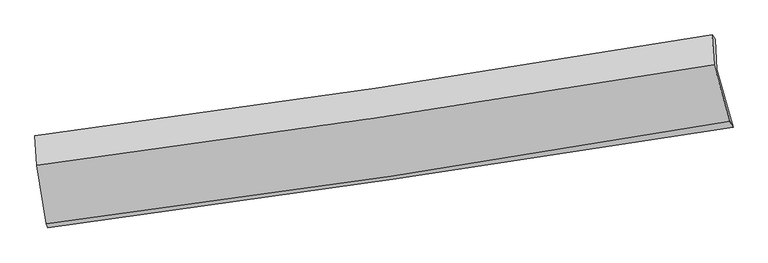
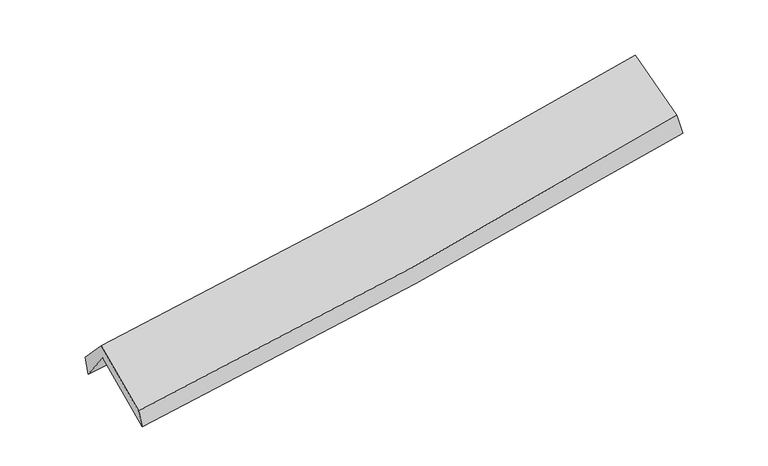
"""IFC4 building model written with IfcOpenShell, lengths in millimetres: proxy geometry."""

from ifc_helpers import new_model, si_unit, frame, origin, place, context, project, spatial, source, transform, mapped, element, save
from ifc_brep_helpers import plane_surface, spline_curve, spline_surface, advanced_brep


def generic_models_3727850a(model_context):
    return source(origin(), model_context, "Body", "AdvancedBrep", [
        advanced_brep(
        [(-2881.6839209, -2520.3302623, 1465.335748), (-2969.1347984, -1991.8284412, 1905.1712613), (2891.2907713, -1151.2909115, 2392.7220821), (3032.7759145, -1651.7589323, 1973.8375613), (-2979.5018996, -1753.7261294, 1593.3707529), (2877.6390367, -891.1070071, 2085.1682647), (-2992.4772829, -1722.9666552, 1757.4856136), (2851.1713435, -854.2678773, 2256.7789498), (-2977.7638429, -1978.5182282, 2029.1357412), (2868.1873729, -1112.8044352, 2532.1244201), (-2894.6347685, -2483.733044, 1616.9101641), (3003.5520532, -1597.5727041, 2141.1310904)],
        [
            (0, 1),
            (1, 2, spline_curve(3, [(-2969.1347984, -1991.8284412, 1905.1712613), (-1982.450035472, -1872.930257673, 1950.490838421), (-998.634702489, -1743.085569518, 2014.034585709), (954.791172575, -1462.718263323, 2176.864731198), (1924.451029717, -1312.383775021, 2275.837924475), (2891.2907713, -1151.2909115, 2392.7220821)], [4, 2, 4], [0.0, 9.837535475751466, 19.590169342086263])),
            (2, 3),
            (3, 0, spline_curve(3, [(3032.7759145, -1651.7589323, 1973.8375613), (2055.755523907, -1806.279976338, 1862.791468145), (1076.519371227, -1955.630258843, 1765.019142013), (-894.928493837, -2245.244455389, 1595.286421906), (-1887.178953102, -2385.417949913, 1523.558143522), (-2881.6839209, -2520.3302623, 1465.335748)], [4, 2, 4], [0.0, 9.752633866334797, 19.590169342086263])),
            (1, 4),
            (4, 5, spline_curve(3, [(-2979.5018996, -1753.7261294, 1593.3707529), (-1992.136507704, -1631.74637794, 1629.795429323), (-1008.258432685, -1498.511466057, 1689.267965738), (944.061945669, -1210.778324294, 1853.596576387), (1912.564182408, -1056.473528971, 1958.056544042), (2877.6390367, -891.1070071, 2085.1682647)], [4, 2, 4], [0.0, 9.79050123711152, 19.49650678787197])),
            (5, 2),
            (4, 6),
            (6, 7, spline_curve(3, [(-2992.4772829, -1722.9666552, 1757.4856136), (-2010.265729742, -1595.665115737, 1820.667912035), (-1030.087531612, -1459.269802568, 1894.091355219), (917.760397891, -1169.547255444, 2060.698474505), (1885.465075518, -1016.376308884, 2153.706143177), (2851.1713435, -854.2678773, 2256.7789498)], [4, 2, 4], [0.0, 9.780040944567913, 19.475676479020514])),
            (7, 5),
            (6, 8),
            (8, 9, spline_curve(3, [(-2977.7638429, -1978.5182282, 2029.1357412), (-1995.203941763, -1850.612366086, 2091.747014854), (-1014.658775327, -1714.167110635, 2165.196803296), (933.957004229, -1425.449086287, 2333.045969933), (1902.062243027, -1273.323076949, 2427.259074342), (2868.1873729, -1112.8044352, 2532.1244201)], [4, 2, 4], [0.0, 9.770940173368722, 19.457553479680364])),
            (9, 7),
            (8, 10),
            (10, 11, spline_curve(3, [(-2894.6347685, -2483.733044, 1616.9101641), (-1900.869075652, -2358.8498474, 1680.121836429), (-910.35451659, -2222.190695438, 1755.655246372), (1055.651882686, -1926.601530641, 1930.60732005), (2031.199597326, -1767.873902958, 2029.814218409), (3003.5520532, -1597.5727041, 2141.1310904)], [4, 2, 4], [0.0, 9.819377324340783, 19.554009750900917])),
            (11, 9),
            (10, 0),
            (3, 11),
        ],
        [
            spline_surface(3, 3, [[(-2881.6839209, -2520.3302623, 1465.335748), (-1887.178952977, -2385.417949779, 1523.558143518), (-894.928493915, -2245.244455478, 1595.286421898), (1076.519371304, -1955.630258755, 1765.01914202), (2055.755524033, -1806.279976377, 1862.791468048), (3032.7759145, -1651.7589323, 1973.8375613)], [(-2910.834213397, -2344.162988583, 1611.947585787), (-1918.935980421, -2214.588719113, 1665.869041891), (-929.497230115, -2077.85816014, 1734.86914311), (1035.943305069, -1791.326260296, 1902.301005078), (2011.987359253, -1641.647909291, 2000.473620206), (2985.614200099, -1484.936258687, 2113.465734902)], [(-2939.984505903, -2167.995714917, 1758.559423513), (-1950.693007872, -2043.759488497, 1808.179940203), (-964.065966314, -1910.471864802, 1874.451864411), (995.367238834, -1627.022261836, 2039.582868225), (1968.219194476, -1477.015842245, 2138.155772358), (2938.452485701, -1318.113585113, 2253.093908498)], [(-2969.1347984, -1991.8284412, 1905.1712613), (-1982.450035315, -1872.930257831, 1950.490838576), (-998.634702514, -1743.085569464, 2014.034585623), (954.791172599, -1462.718263377, 2176.864731283), (1924.451029696, -1312.383775159, 2275.837924516), (2891.2907713, -1151.2909115, 2392.7220821)]], [4, 4], [4, 2, 4], [0.0, 2.15829859033253], [0.0, 9.837535475751466, 19.590169342086263]),
            spline_surface(3, 3, [[(-2969.1347984, -1991.8284412, 1905.1712613), (-1982.450035315, -1872.930257831, 1950.490838576), (-998.634702514, -1743.085569464, 2014.034585623), (954.791172599, -1462.718263377, 2176.864731283), (1924.451029696, -1312.383775159, 2275.837924516), (2891.2907713, -1151.2909115, 2392.7220821)], [(-2972.590498802, -1912.461003956, 1801.237758501), (-1985.67885947, -1792.535631213, 1843.592368858), (-1001.84261255, -1661.560868304, 1905.779045699), (951.214763578, -1378.738283704, 2069.108679652), (1920.488747291, -1227.080359727, 2169.910797644), (2886.740193101, -1064.562943354, 2290.204142964)], [(-2976.046199198, -1833.093566644, 1697.304255699), (-1988.907683619, -1712.141004524, 1736.693899138), (-1005.05052255, -1580.036167148, 1797.523505718), (947.638354592, -1294.758304036, 1961.352627963), (1916.526464882, -1141.776944333, 2063.983670781), (2882.189614899, -977.834975246, 2187.686203836)], [(-2979.5018996, -1753.7261294, 1593.3707529), (-1992.136507774, -1631.746377906, 1629.795429419), (-1008.258432586, -1498.511465988, 1689.267965794), (944.061945571, -1210.778324363, 1853.596576332), (1912.564182476, -1056.473528901, 1958.05654391), (2877.6390367, -891.1070071, 2085.1682647)]], [4, 4], [4, 2, 4], [0.0, 1.3395732899064365], [0.0, 9.79050123711152, 19.49650678787197]),
            spline_surface(3, 3, [[(-2979.5018996, -1753.7261294, 1593.3707529), (-1992.136507774, -1631.746377906, 1629.795429419), (-1008.258432586, -1498.511465988, 1689.267965794), (944.061945571, -1210.778324363, 1853.596576332), (1912.564182476, -1056.473528901, 1958.05654391), (2877.6390367, -891.1070071, 2085.1682647)], [(-2983.827027384, -1743.472971306, 1648.07570647), (-1998.179581749, -1619.719290452, 1693.419590315), (-1015.534798955, -1485.430911561, 1757.542428966), (935.294763042, -1197.034634718, 1922.630542353), (1903.531146792, -1043.107788953, 2023.273077035), (2868.816472271, -878.827297179, 2142.37182641)], [(-2988.152155116, -1733.219813294, 1702.78066003), (-2004.222655674, -1607.69220308, 1757.043751202), (-1022.81116533, -1472.350357073, 1825.816892148), (926.527580507, -1183.290945012, 1991.664508383), (1894.498111195, -1029.742048967, 2088.489610131), (2859.993907929, -866.547587221, 2199.57538809)], [(-2992.4772829, -1722.9666552, 1757.4856136), (-2010.265729649, -1595.665115626, 1820.667912098), (-1030.087531699, -1459.269802646, 1894.09135532), (917.760397978, -1169.547255366, 2060.698474404), (1885.465075511, -1016.37630902, 2153.706143256), (2851.1713435, -854.2678773, 2256.7789498)]], [4, 4], [4, 2, 4], [0.0, 0.6929698770409847], [0.0, 9.780040944567913, 19.475676479020514]),
            spline_surface(3, 3, [[(-2992.4772829, -1722.9666552, 1757.4856136), (-2010.265729649, -1595.665115626, 1820.667912098), (-1030.087531699, -1459.269802646, 1894.09135532), (917.760397978, -1169.547255366, 2060.698474404), (1885.465075511, -1016.37630902, 2153.706143256), (2851.1713435, -854.2678773, 2256.7789498)], [(-2987.572802897, -1808.150512884, 1848.035656113), (-2005.245133647, -1680.64753242, 1911.027613031), (-1024.944612896, -1544.23557201, 1984.459837993), (923.159266724, -1254.847865625, 2151.480972898), (1890.997464729, -1102.025231693, 2244.890453645), (2856.843353319, -940.446729939, 2348.560773219)], [(-2982.668322903, -1893.334370516, 1938.585698687), (-2000.224537654, -1765.629949164, 2001.387314025), (-1019.801694105, -1629.201341396, 2074.828320668), (928.558135459, -1340.148475905, 2242.263471395), (1896.52985389, -1187.674154351, 2336.074764079), (2862.515363081, -1026.625582561, 2440.342596681)], [(-2977.7638429, -1978.5182282, 2029.1357412), (-1995.203941651, -1850.612365958, 2091.747014958), (-1014.658775302, -1714.16711076, 2165.19680334), (933.957004205, -1425.449086163, 2333.045969889), (1902.062243108, -1273.323077024, 2427.259074468), (2868.1873729, -1112.8044352, 2532.1244201)]], [4, 4], [4, 2, 4], [0.0, 1.2245448071985312], [0.0, 9.770940173368722, 19.457553479680364]),
            spline_surface(3, 3, [[(-2977.7638429, -1978.5182282, 2029.1357412), (-1995.203941651, -1850.612365958, 2091.747014958), (-1014.658775302, -1714.16711076, 2165.19680334), (933.957004205, -1425.449086163, 2333.045969889), (1902.062243108, -1273.323077024, 2427.259074468), (2868.1873729, -1112.8044352, 2532.1244201)], [(-2950.054151428, -2146.9231668, 1891.7272155), (-1963.758986352, -2020.024859785, 1954.53862209), (-979.890689045, -1883.508305632, 2028.682951062), (974.521963641, -1592.499901011, 2198.899753236), (1945.108027788, -1438.173352277, 2294.777455829), (2913.30893298, -1274.393858149, 2401.79331021)], [(-2922.344459972, -2315.3281054, 1754.3186898), (-1932.31403107, -2189.437353612, 1817.330229221), (-945.12260273, -2052.849500502, 1892.169098777), (1015.086923134, -1759.550715857, 2064.753536577), (1988.153812527, -1603.023627583, 2162.29583716), (2958.43049312, -1435.983281151, 2271.46220029)], [(-2894.6347685, -2483.733044, 1616.9101641), (-1900.869075771, -2358.849847439, 1680.121836353), (-910.354516473, -2222.190695373, 1755.655246499), (1055.65188257, -1926.601530705, 1930.607319924), (2031.199597207, -1767.873902836, 2029.814218521), (3003.5520532, -1597.5727041, 2141.1310904)]], [4, 4], [4, 2, 4], [0.0, 2.1569961351705733], [0.0, 9.819377324340783, 19.554009750900917]),
            spline_surface(3, 3, [[(-2894.6347685, -2483.733044, 1616.9101641), (-1900.869075771, -2358.849847439, 1680.121836353), (-910.354516473, -2222.190695373, 1755.655246499), (1055.65188257, -1926.601530705, 1930.607319924), (2031.199597207, -1767.873902836, 2029.814218521), (3003.5520532, -1597.5727041, 2141.1310904)], [(-2890.317819293, -2495.932116771, 1566.38535873), (-1896.305701499, -2367.705881556, 1627.933938738), (-905.212508928, -2229.875282063, 1702.198971644), (1062.607712173, -1936.277773377, 1875.411260635), (2039.384906179, -1780.675927375, 1974.13996836), (3013.29334033, -1615.634780192, 2085.366580696)], [(-2886.000870107, -2508.131189529, 1515.86055337), (-1891.742327249, -2376.561915661, 1575.746041134), (-900.070501459, -2237.559868788, 1648.742696753), (1069.563541701, -1945.954016084, 1820.215201309), (2047.570215061, -1793.477951838, 1918.46571821), (3023.03462737, -1633.696856208, 2029.602071004)], [(-2881.6839209, -2520.3302623, 1465.335748), (-1887.178952977, -2385.417949779, 1523.558143518), (-894.928493915, -2245.244455478, 1595.286421898), (1076.519371304, -1955.630258755, 1765.01914202), (2055.755524033, -1806.279976377, 1862.791468048), (3032.7759145, -1651.7589323, 1973.8375613)]], [4, 4], [4, 2, 4], [0.0, 0.5446576289915568], [0.0, 9.875733024893039, 19.66623478123823]),
            plane_surface(frame((2920.7694154, -1209.8003112, 2230.2937281), z_axis=(0.9767979527671745, 0.18291767489259397, 0.11138619161163642), x_axis=(0.2123907441810024, -0.7606141660594056, -0.6134788196637232))),
            plane_surface(frame((-2949.1994189, -2075.1837934, 1727.9015469), z_axis=(-0.9915159841902665, -0.11708907345381482, -0.056446452261717836), x_axis=(-0.08277053675576729, 0.2338975402847109, 0.9687316340937382))),
        ],
        [
            (0, [[1, 2, 3, 4]]),
            (1, [[5, 6, 7, -2]]),
            (2, [[8, 9, 10, -6]]),
            (3, [[11, 12, 13, -9]]),
            (4, [[14, 15, 16, -12]]),
            (5, [[17, -4, 18, -15]]),
            (6, [[-16, -18, -3, -7, -10, -13]]),
            (7, [[-17, -14, -11, -8, -5, -1]]),
        ],
    ),
    ])


if __name__ == "__main__":
    model = new_model("IFC4")
    model_context = context("Model", 3, world=origin())
    ifc_project = project(units=[si_unit("LENGTHUNIT", "METRE", prefix="MILLI")], contexts=[model_context])
    site = spatial("IfcSite", under=ifc_project)
    building = spatial("IfcBuilding", under=site)
    placement = place(None, origin())
    generic_models_shape = generic_models_3727850a(model_context)
    element("IfcBuildingElementProxy", 1, Name="Generic Models", at=placement, inside=building, context=model_context, shape_type="MappedRepresentation", body=[
        mapped(generic_models_shape, transform((0.0, 0.0, 0.0), x_axis=(1.0, 0.0, 0.0), y_axis=(0.0, 1.0, 0.0), z_axis=(0.0, 0.0, 1.0))),
    ])
    save(model, "model.ifc")
